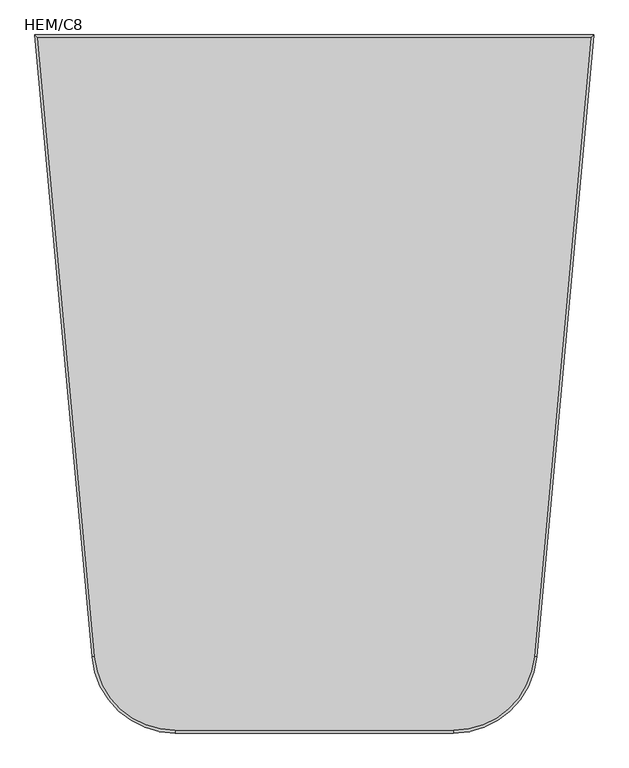
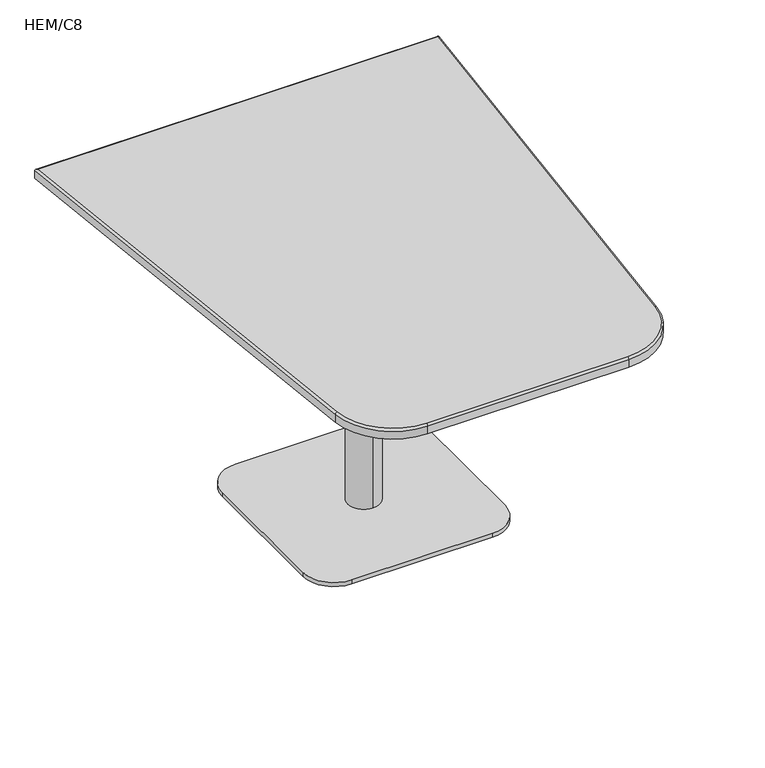
"""IFC4 building model written with IfcOpenShell, lengths in millimetres: furniture geometry, HEM/C8."""

from ifc_helpers import new_model, si_unit, point, frame, frame_2d, origin, origin_with_axes, place, context, project, spatial, polyline, circle_curve, ellipse_curve, trimmed, segment, composite_curve, outline, extrude, source, transform, mapped, element, save
from ifc_brep_helpers import plane_surface, cylinder_surface, revolved_surface, advanced_brep


def hem_c8_2b7ab63b(model_context):
    return source(origin(), model_context, "Body", "SolidModel", [
        extrude(outline(composite_curve([segment(trimmed(circle_curve(frame_2d((-189.6905406, 504.2208154)), 30.0), [point((-159.6905406, 504.2208154))], [point((-189.6905406, 474.2208154))], False, "CARTESIAN"), True, "CONTINUOUS"), segment(polyline([(-189.6905406, 474.2208154), (-429.6905406, 474.2208154)]), True, "CONTINUOUS"), segment(trimmed(circle_curve(frame_2d((-429.6905406, 504.2208154)), 30.0), [point((-429.6905406, 474.2208154))], [point((-459.6905406, 504.2208154))], False, "CARTESIAN"), True, "CONTINUOUS"), segment(polyline([(-459.6905406, 504.2208154), (-459.6905406, 744.2208154)]), True, "CONTINUOUS"), segment(trimmed(circle_curve(frame_2d((-429.6905406, 744.2208154)), 30.0), [point((-459.6905406, 744.2208154))], [point((-429.6905406, 774.2208154))], False, "CARTESIAN"), True, "CONTINUOUS"), segment(polyline([(-429.6905406, 774.2208154), (-189.6905406, 774.2208154)]), True, "CONTINUOUS"), segment(trimmed(circle_curve(frame_2d((-189.6905406, 744.2208154)), 30.0), [point((-189.6905406, 774.2208154))], [point((-159.6905406, 744.2208154))], False, "CARTESIAN"), True, "CONTINUOUS"), segment(polyline([(-159.6905406, 744.2208154), (-159.6905406, 504.2208154)]), True, "CONTINUOUS")], self_intersect=False)), frame((0.0, 0.0, 691.5293538), z_axis=(0.0, 0.0, 1.0), x_axis=(1.0, 0.0, 0.0)), (0.0, 0.0, 1.0), 4.9208205),
        extrude(outline(composite_curve([segment(trimmed(circle_curve(frame_2d((-135.8644499, 450.892844)), 76.6720286), [point((-59.1924213, 450.892844))], [point((-135.8644499, 374.2208154))], False, "CARTESIAN"), True, "CONTINUOUS"), segment(polyline([(-135.8644499, 374.2208154), (-483.7407097, 374.2208154)]), True, "CONTINUOUS"), segment(trimmed(circle_curve(frame_2d((-483.7407097, 450.892844)), 76.6720286), [point((-483.7407097, 374.2208154))], [point((-560.4127383, 450.892844))], False, "CARTESIAN"), True, "CONTINUOUS"), segment(polyline([(-560.4127383, 450.892844), (-560.4127383, 797.5487869)]), True, "CONTINUOUS"), segment(trimmed(circle_curve(frame_2d((-483.7407097, 797.5487869)), 76.6720286), [point((-560.4127383, 797.5487869))], [point((-483.7407097, 874.2208154))], False, "CARTESIAN"), True, "CONTINUOUS"), segment(polyline([(-483.7407097, 874.2208154), (-135.8644499, 874.2208154)]), True, "CONTINUOUS"), segment(trimmed(circle_curve(frame_2d((-135.8644499, 797.5487869)), 76.6720286), [point((-135.8644499, 874.2208154))], [point((-59.1924213, 797.5487869))], False, "CARTESIAN"), True, "CONTINUOUS"), segment(polyline([(-59.1924213, 797.5487869), (-59.1924213, 450.892844)]), True, "CONTINUOUS")], self_intersect=False)), origin_with_axes(), (0.0, 0.0, 1.0), 10.5506332),
        advanced_brep(
        [(-703.6424192, 54.9321575, 721.4372659), (-559.2501914, -76.8056959, 721.4372659), (-60.7148177, -76.8056959, 721.4372659), (83.6774101, 54.9321575, 721.4372659), (185.4691427, 1163.1943041, 721.4372659), (-805.4341518, 1163.1943041, 721.4372659), (88.6564525, 54.4748421, 696.4501743), (-60.7148177, -81.8056959, 696.4501743), (-559.2501914, -81.8056959, 696.4501743), (-708.6214616, 54.4748421, 696.4501743), (-810.914438, 1168.1943041, 696.4501743), (190.9494289, 1168.1943041, 696.4501743), (190.9494289, 1168.1943041, 716.4372659), (88.6564525, 54.4748421, 716.4372659), (-810.914438, 1168.1943041, 716.4372659), (-708.6214616, 54.4748421, 716.4372679), (-559.2501914, -81.8056959, 716.4372652), (-60.7148177, -81.8056959, 716.4372659)],
        [
            (0, 1, circle_curve(frame((-559.2501914, 68.1943041, 721.4372659), z_axis=(0.0, 0.0, 1.0), x_axis=(-0.9958084680381197, -0.09146307989332628, 0.0)), 145.0)),
            (1, 2),
            (2, 3, circle_curve(frame((-60.7148177, 68.1943041, 721.4372659), z_axis=(0.0, 0.0, 1.0), x_axis=(0.0, -1.0, 0.0)), 145.0)),
            (3, 4),
            (4, 5),
            (5, 0),
            (6, 7, circle_curve(frame((-60.7148177, 68.1943041, 696.4501743), z_axis=(0.0, 0.0, -1.0), x_axis=(0.0, -1.0, 0.0)), 150.0)),
            (7, 8),
            (8, 9, circle_curve(frame((-559.2501914, 68.1943041, 696.4501743), z_axis=(0.0, 0.0, -1.0), x_axis=(0.0, -1.0, 0.0)), 150.0)),
            (9, 10),
            (10, 11),
            (11, 6),
            (11, 12),
            (12, 13),
            (13, 6),
            (10, 14),
            (14, 12),
            (9, 15),
            (15, 14),
            (8, 16),
            (16, 15, circle_curve(frame((-559.2501914, 68.1943041, 716.4372659), z_axis=(0.0, 0.0, -1.0), x_axis=(0.0, -1.0, 0.0)), 150.0)),
            (7, 17),
            (17, 16),
            (13, 17, circle_curve(frame((-60.7148177, 68.1943041, 716.4372659), z_axis=(0.0, 0.0, -1.0), x_axis=(0.0, -1.0, 0.0)), 150.0)),
            (16, 1, circle_curve(frame((-559.2501914, -76.8056959, 716.4372659), z_axis=(-0.9999999999999999, 0.0, 0.0), x_axis=(0.0, 0.9999999999999999, 0.0)), 5.0)),
            (0, 15, circle_curve(frame((-703.6424192, 54.9321575, 716.4372659), z_axis=(0.09146307989332621, -0.9958084680381197, 0.0), x_axis=(0.9958084680381197, 0.09146307989332621, 0.0)), 5.0)),
            (17, 2, circle_curve(frame((-60.7148177, -76.8056959, 716.4372659), z_axis=(-1.0, 0.0, 0.0), x_axis=(0.0, 1.0, 0.0)), 5.0)),
            (13, 3, circle_curve(frame((83.6774101, 54.9321575, 716.4372659), z_axis=(-0.0914630798933446, -0.9958084680381182, 0.0), x_axis=(-0.9958084680381182, 0.0914630798933446, 0.0)), 5.0)),
            (12, 4, ellipse_curve(frame((185.4691427, 1163.1943041, 716.4372659), z_axis=(0.6739944065445397, -0.7387364482321647, 0.0), x_axis=(0.7387364482321647, 0.6739944065445397, 0.0)), 7.4184592, 5.0)),
            (14, 5, ellipse_curve(frame((-805.4341518, 1163.1943041, 716.4372659), z_axis=(0.6739944065445448, 0.73873644823216, 0.0), x_axis=(-0.7387364482321601, 0.6739944065445448, 0.0)), 7.4184592, 5.0)),
        ],
        [
            plane_surface(frame((155.4500353, 781.6930314, 721.4372659), z_axis=(0.0, 0.0, 1.0), x_axis=(0.09146307989334561, 0.9958084680381181, 0.0))),
            plane_surface(frame((155.4500353, 781.6930314, 696.4501743), z_axis=(0.0, 0.0, -1.0), x_axis=(-0.09146307989334561, -0.9958084680381181, 0.0))),
            plane_surface(frame((88.6564525, 54.4748421, 721.4372659), z_axis=(0.9958084680381181, -0.09146307989334561, 0.0), x_axis=(0.0, 0.0, -1.0))),
            plane_surface(frame((190.9494289, 1168.1943041, 721.4372659), z_axis=(0.0, 1.0, 0.0), x_axis=(0.0, 0.0, -1.0))),
            plane_surface(frame((-810.914438, 1168.1943041, 721.4372659), z_axis=(-0.995808468038119, -0.0914630798933353, 0.0), x_axis=(0.0, 0.0, -1.0))),
            cylinder_surface(frame((-559.2501914, 68.1943041, 696.4501743), z_axis=(0.0, 0.0, 1.0), x_axis=(0.0, -1.0, 0.0)), 150.0),
            plane_surface(frame((-559.2501914, -81.8056959, 721.4372659), z_axis=(0.0, -1.0, 0.0), x_axis=(0.0, 0.0, -1.0))),
            cylinder_surface(frame((-60.7148177, 68.1943041, 696.4501743), z_axis=(0.0, 0.0, 1.0), x_axis=(0.0, -1.0, 0.0)), 150.0),
            revolved_surface(trimmed(ellipse_curve(frame((-703.6424192, 54.9321575, 716.4372659), z_axis=(-0.09146307989332621, 0.9958084680381197, 0.0), x_axis=(0.9958084680381197, 0.09146307989332621, 0.0)), 5.0, 5.0), [point((-708.6214616, 54.4748421, 716.4372659))], [point((-703.6424192, 54.9321575, 721.4372659))], True, "CARTESIAN"), (-559.2501914, 68.1943041, 721.4372659), (0.0, 0.0, 1.0)),
            cylinder_surface(frame((-559.2501914, -76.8056959, 716.4372659), z_axis=(1.0, 0.0, 0.0), x_axis=(0.0, 1.0, 0.0)), 5.0),
            revolved_surface(trimmed(ellipse_curve(frame((-60.7148177, -76.8056959, 716.4372659), z_axis=(-1.0, 0.0, 0.0), x_axis=(0.0, 1.0, 0.0)), 5.0, 5.0), [point((-60.7148177, -81.8056959, 716.4372659))], [point((-60.7148177, -76.8056959, 721.4372659))], True, "CARTESIAN"), (-60.7148177, 68.1943041, 721.4372659), (0.0, 0.0, 1.0)),
            cylinder_surface(frame((83.6774101, 54.9321575, 716.4372659), z_axis=(0.09146307989334566, 0.9958084680381181, 0.0), x_axis=(-0.9958084680381181, 0.09146307989334566, 0.0)), 5.0),
            cylinder_surface(frame((190.9494289, 1163.1943041, 716.4372659), z_axis=(-1.0, 0.0, 0.0), x_axis=(0.0, -1.0, 0.0)), 5.0),
            cylinder_surface(frame((-805.9353957, 1168.6516195, 716.4372659), z_axis=(0.09146307989333535, -0.995808468038119, 0.0), x_axis=(0.995808468038119, 0.09146307989333535, 0.0)), 5.0),
        ],
        [
            (0, [[1, 2, 3, 4, 5, 6]]),
            (1, [[7, 8, 9, 10, 11, 12]]),
            (2, [[-12, 13, 14, 15]]),
            (3, [[-11, 16, 17, -13]]),
            (4, [[-10, 18, 19, -16]]),
            (5, [[-9, 20, 21, -18]]),
            (6, [[-8, 22, 23, -20]]),
            (7, [[-7, -15, 24, -22]]),
            (8, [[25, -1, 26, -21]]),
            (9, [[-25, -23, 27, -2]]),
            (10, [[-27, -24, 28, -3]]),
            (11, [[-28, -14, 29, -4]]),
            (12, [[-29, -17, 30, -5]]),
            (13, [[-26, -6, -30, -19]]),
        ],
    ),
        extrude(outline(composite_curve([segment(trimmed(circle_curve(frame_2d((-309.8025798, 624.2208154)), 40.0), [point((-309.8025798, 664.2208154))], [point((-309.8025798, 584.2208154))], False, "CARTESIAN"), True, "CONTINUOUS"), segment(trimmed(circle_curve(frame_2d((-309.8025798, 624.2208154)), 40.0), [point((-309.8025798, 584.2208154))], [point((-309.8025798, 664.2208154))], False, "CARTESIAN"), True, "CONTINUOUS")], self_intersect=False)), frame((0.0, 0.0, 10.5506332), z_axis=(0.0, 0.0, 1.0), x_axis=(1.0, 0.0, 0.0)), (0.0, 0.0, 1.0), 680.9787206),
    ])


if __name__ == "__main__":
    model = new_model("IFC4")
    model_context = context("Model", 3, world=origin())
    ifc_project = project(units=[si_unit("LENGTHUNIT", "METRE", prefix="MILLI")], contexts=[model_context])
    site = spatial("IfcSite", under=ifc_project)
    building = spatial("IfcBuilding", under=site)
    placement = place(None, origin())
    hem_c8_shape = hem_c8_2b7ab63b(model_context)
    element("IfcFurniture", 1, ObjectType="HEM/C8", at=placement, inside=building, context=model_context, shape_type="MappedRepresentation", body=[
        mapped(hem_c8_shape, transform((0.0, 0.0, 0.0), x_axis=(1.0, 0.0, 0.0), y_axis=(0.0, 1.0, 0.0), z_axis=(0.0, 0.0, 1.0))),
    ])
    save(model, "model.ifc")
